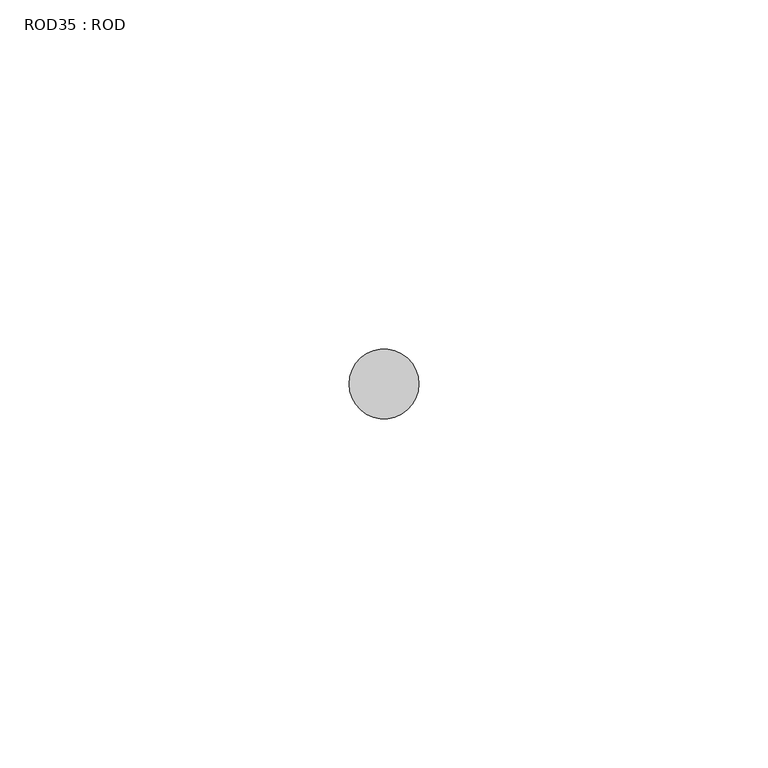
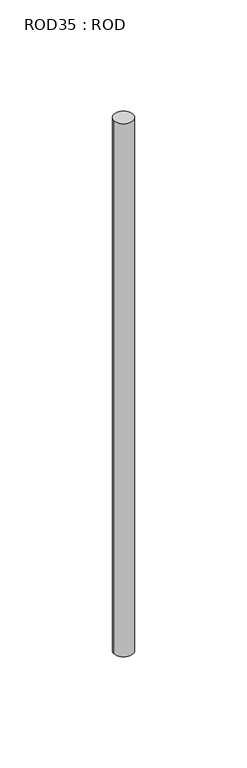
"""IFC4 building model written with IfcOpenShell, lengths in millimetres: proxy geometry, ROD35 : ROD."""

from ifc_helpers import new_model, si_unit, point, frame, frame_2d, origin, place, context, project, spatial, circle_curve, trimmed, segment, composite_curve, outline, extrude, source, transform, mapped, element, save


def rod35_rod_99ae764c(model_context):
    return source(origin(), model_context, "Body", "SweptSolid", [
        extrude(outline(composite_curve([segment(trimmed(circle_curve(frame_2d((7199.7673324, 833.3971576)), 5.0), [point((7194.7673324, 833.3971576))], [point((7204.7673324, 833.3971576))], False, "CARTESIAN"), True, "CONTINUOUS"), segment(trimmed(circle_curve(frame_2d((7199.7673324, 833.3971576)), 5.0), [point((7204.7673324, 833.3971576))], [point((7194.7673324, 833.3971576))], False, "CARTESIAN"), True, "CONTINUOUS")], self_intersect=False)), frame((0.0, 0.0, -108.6608845), z_axis=(0.0, 0.0, 1.0), x_axis=(1.0, 0.0, 0.0)), (0.0, 0.0, 1.0), 298.9028972),
    ])


if __name__ == "__main__":
    model = new_model("IFC4")
    model_context = context("Model", 3, world=origin())
    ifc_project = project(units=[si_unit("LENGTHUNIT", "METRE", prefix="MILLI")], contexts=[model_context])
    site = spatial("IfcSite", under=ifc_project)
    building = spatial("IfcBuilding", under=site)
    placement = place(None, origin())
    rod35_rod_shape = rod35_rod_99ae764c(model_context)
    element("IfcBuildingElementProxy", 1, Name="ROD35 : ROD", ObjectType="ROD35 : ROD", at=placement, inside=building, context=model_context, shape_type="MappedRepresentation", body=[
        mapped(rod35_rod_shape, transform((0.0, 0.0, 0.0), x_axis=(1.0, 0.0, 0.0), y_axis=(0.0, 1.0, 0.0), z_axis=(0.0, 0.0, 1.0))),
    ])
    save(model, "model.ifc")
